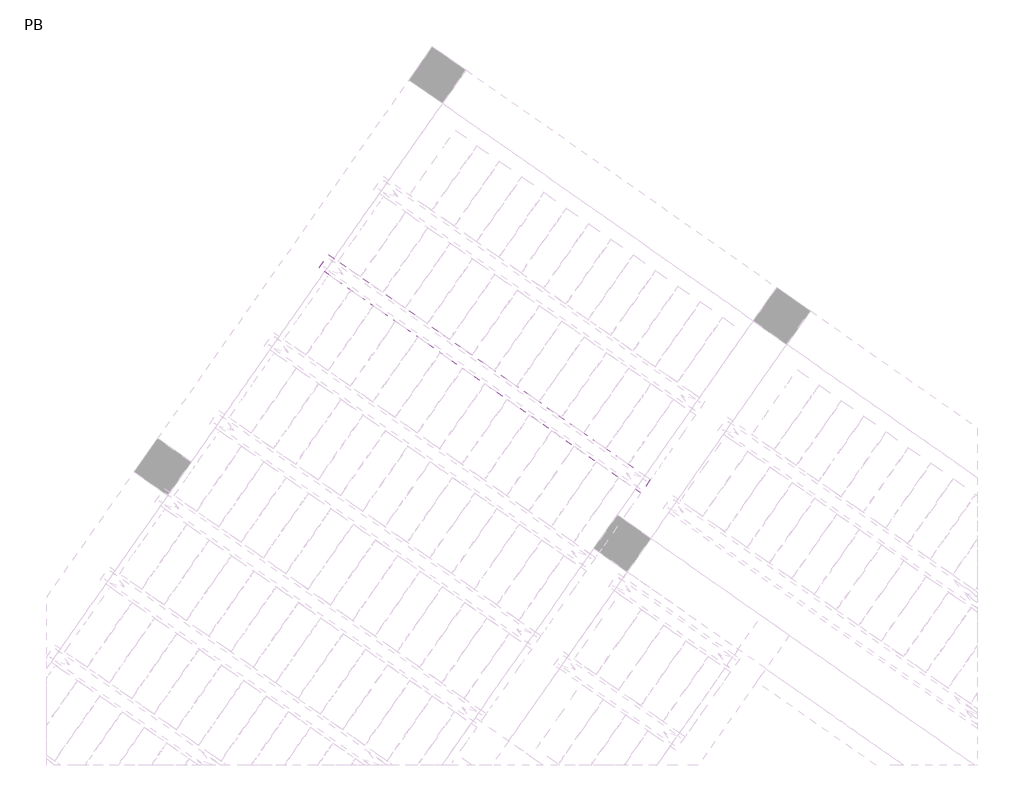
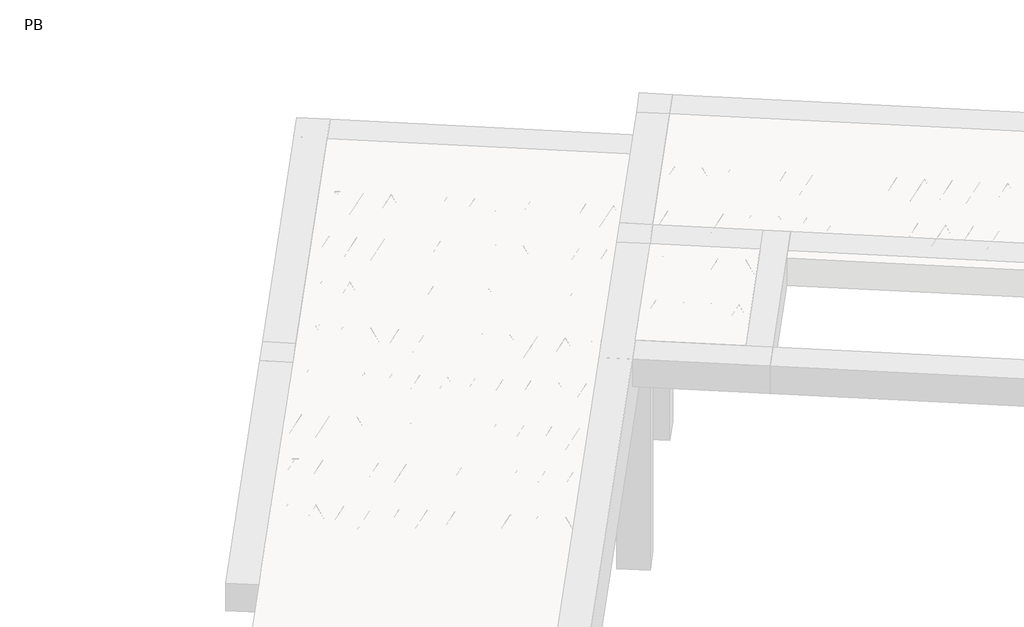
# One storey, part 51 of 56: 2 beams.
"""IFC4 building model written with IfcOpenShell, lengths in millimetres."""

from ifc_helpers import new_model, si_unit, point, frame, origin, origin_2d, place, context, project, spatial, polyline, circle_curve, trimmed, segment, composite_curve, outline, extrude, element, save

model = new_model("IFC4")

# Units and contexts
model_context = context("Model", 3, world=origin())
ifc_project = project(units=[si_unit("LENGTHUNIT", "METRE", prefix="MILLI")], contexts=[model_context])

# Site, building, storey
site = spatial("IfcSite", under=ifc_project)
building = spatial("IfcBuilding", under=site)
storey = spatial("IfcBuildingStorey", under=building, Name="PB", Elevation=95940.0)

# Beams
placement = place(None, origin())
element("IfcBeam", 1, at=placement, inside=storey, context=model_context, shape_type="SweptSolid", body=[
    extrude(outline(polyline([(3603.7111648, 9550.459465), (3672.5403371, 9648.7577103), (6035.266632, 7994.3589478), (5966.4374596, 7896.0607025), (3603.7111648, 9550.459465)])), frame((0.0, 0.0, 98760.0), z_axis=(0.0, 0.0, 1.0), x_axis=(1.0, 0.0, 0.0)), (0.0, 0.0, 1.0), 50.0),
    extrude(outline(composite_curve([segment(trimmed(circle_curve(origin_2d(), 2.5), [point((-2.5, 0.0))], [point((2.5, 0.0))], False, "CARTESIAN"), True, "CONTINUOUS"), segment(trimmed(circle_curve(origin_2d(), 2.5), [point((2.5, 0.0))], [point((-2.5, 0.0))], False, "CARTESIAN"), True, "CONTINUOUS")], self_intersect=False)), frame((5960.543645, 7929.4861861, 98785.0), z_axis=(-0.8191520442696126, 0.5735764363787226, 0.0), x_axis=(0.5735764363787226, 0.8191520442696126, 0.0)), (0.0, 0.0, 1.0), 2836.356221),
    extrude(outline(composite_curve([segment(trimmed(circle_curve(origin_2d(), 2.5), [point((-2.5, 0.0))], [point((2.5, 0.0))], False, "CARTESIAN"), True, "CONTINUOUS"), segment(trimmed(circle_curve(origin_2d(), 2.5), [point((2.5, 0.0))], [point((-2.5, 0.0))], False, "CARTESIAN"), True, "CONTINUOUS")], self_intersect=False)), frame((5884.386556, 8026.7598391, 99010.0), z_axis=(-0.8191520442696126, 0.5735764363787226, 0.0), x_axis=(0.5735764363787226, 0.8191520442696126, 0.0)), (0.0, 0.0, 1.0), 2600.0),
    extrude(outline(composite_curve([segment(trimmed(circle_curve(origin_2d(), 2.5), [point((-2.5, 0.0))], [point((2.5, 1e-07))], False, "CARTESIAN"), True, "CONTINUOUS"), segment(trimmed(circle_curve(origin_2d(), 2.5), [point((2.5, 1e-07))], [point((-2.5, 0.0))], False, "CARTESIAN"), True, "CONTINUOUS")], self_intersect=False)), frame((5925.1742076, 7954.2521327, 98785.0), z_axis=(-0.3145304735701046, 0.38933448886848654, 0.8657304643902053), x_axis=(0.7778747638402499, 0.6284193279813057, 0.0)), (0.0, 0.0, 1.0), 259.8961331),
    extrude(outline(composite_curve([segment(trimmed(circle_curve(origin_2d(), 2.5), [point((2.5000001, 0.0))], [point((-2.5, 0.0))], False, "CARTESIAN"), True, "CONTINUOUS"), segment(trimmed(circle_curve(origin_2d(), 2.5), [point((-2.5, 0.0))], [point((2.5000001, 0.0))], False, "CARTESIAN"), True, "CONTINUOUS")], self_intersect=False)), frame((5720.3861965, 8097.6462419, 98785.0), z_axis=(0.47343050384693375, -0.16240172737369005, 0.8657304643902051), x_axis=(-0.3244721671091268, -0.9458952440791246, 0.0)), (0.0, 0.0, 1.0), 259.8961331),
    extrude(outline(composite_curve([segment(trimmed(circle_curve(origin_2d(), 2.5), [point((-2.5, -1e-07))], [point((2.5, 0.0))], False, "CARTESIAN"), True, "CONTINUOUS"), segment(trimmed(circle_curve(origin_2d(), 2.5), [point((2.5, 0.0))], [point((-2.5, -1e-07))], False, "CARTESIAN"), True, "CONTINUOUS")], self_intersect=False)), frame((5720.3861965, 8097.6462419, 98785.0), z_axis=(-0.3145304735701046, 0.38933448886848654, 0.8657304643902053), x_axis=(0.7778747638402499, 0.6284193279813057, 0.0)), (0.0, 0.0, 1.0), 259.8961331),
    extrude(outline(composite_curve([segment(trimmed(circle_curve(origin_2d(), 2.5), [point((2.5000001, 0.0))], [point((-2.5, 0.0))], False, "CARTESIAN"), True, "CONTINUOUS"), segment(trimmed(circle_curve(origin_2d(), 2.5), [point((-2.5, 0.0))], [point((2.5000001, 0.0))], False, "CARTESIAN"), True, "CONTINUOUS")], self_intersect=False)), frame((5515.5981855, 8241.040351, 98785.0), z_axis=(0.47343050384693375, -0.16240172737369005, 0.8657304643902051), x_axis=(-0.3244721671091268, -0.9458952440791246, 0.0)), (0.0, 0.0, 1.0), 259.8961331),
    extrude(outline(composite_curve([segment(trimmed(circle_curve(origin_2d(), 2.5), [point((-2.5000001, 0.0))], [point((2.5, 0.0))], False, "CARTESIAN"), True, "CONTINUOUS"), segment(trimmed(circle_curve(origin_2d(), 2.5), [point((2.5, 0.0))], [point((-2.5000001, 0.0))], False, "CARTESIAN"), True, "CONTINUOUS")], self_intersect=False)), frame((5515.5981855, 8241.040351, 98785.0), z_axis=(-0.3145304735701046, 0.38933448886848654, 0.8657304643902053), x_axis=(0.7778747638402499, 0.6284193279813057, 0.0)), (0.0, 0.0, 1.0), 259.8961331),
    extrude(outline(composite_curve([segment(trimmed(circle_curve(origin_2d(), 2.5), [point((2.5, 0.0))], [point((-2.5000001, 0.0))], False, "CARTESIAN"), True, "CONTINUOUS"), segment(trimmed(circle_curve(origin_2d(), 2.5), [point((-2.5000001, 0.0))], [point((2.5, 0.0))], False, "CARTESIAN"), True, "CONTINUOUS")], self_intersect=False)), frame((5310.8101744, 8384.43446, 98785.0), z_axis=(0.47343050384693375, -0.16240172737369005, 0.8657304643902051), x_axis=(-0.3244721671091268, -0.9458952440791246, 0.0)), (0.0, 0.0, 1.0), 259.8961331),
    extrude(outline(composite_curve([segment(trimmed(circle_curve(origin_2d(), 2.5), [point((-2.5, 0.0))], [point((2.5, 1e-07))], False, "CARTESIAN"), True, "CONTINUOUS"), segment(trimmed(circle_curve(origin_2d(), 2.5), [point((2.5, 1e-07))], [point((-2.5, 0.0))], False, "CARTESIAN"), True, "CONTINUOUS")], self_intersect=False)), frame((5310.8101744, 8384.43446, 98785.0), z_axis=(-0.3145304735701046, 0.38933448886848654, 0.8657304643902053), x_axis=(0.7778747638402499, 0.6284193279813057, 0.0)), (0.0, 0.0, 1.0), 259.8961331),
    extrude(outline(composite_curve([segment(trimmed(circle_curve(origin_2d(), 2.5), [point((2.5, 0.0))], [point((-2.5000001, 0.0))], False, "CARTESIAN"), True, "CONTINUOUS"), segment(trimmed(circle_curve(origin_2d(), 2.5), [point((-2.5000001, 0.0))], [point((2.5, 0.0))], False, "CARTESIAN"), True, "CONTINUOUS")], self_intersect=False)), frame((5106.0221633, 8527.8285691, 98785.0), z_axis=(0.47343050384693375, -0.16240172737369005, 0.8657304643902051), x_axis=(-0.3244721671091268, -0.9458952440791246, 0.0)), (0.0, 0.0, 1.0), 259.8961331),
    extrude(outline(composite_curve([segment(trimmed(circle_curve(origin_2d(), 2.5), [point((-2.5000001, 1e-07))], [point((2.5, 0.0))], False, "CARTESIAN"), True, "CONTINUOUS"), segment(trimmed(circle_curve(origin_2d(), 2.5), [point((2.5, 0.0))], [point((-2.5000001, 1e-07))], False, "CARTESIAN"), True, "CONTINUOUS")], self_intersect=False)), frame((5106.0221637, 8527.8285689, 98785.0), z_axis=(-0.3145304735701046, 0.38933448886848654, 0.8657304643902053), x_axis=(0.7778747638402499, 0.6284193279813057, 0.0)), (0.0, 0.0, 1.0), 259.8961331),
    extrude(outline(composite_curve([segment(trimmed(circle_curve(origin_2d(), 2.5), [point((2.5, 0.0))], [point((-2.5, 0.0))], False, "CARTESIAN"), True, "CONTINUOUS"), segment(trimmed(circle_curve(origin_2d(), 2.5), [point((-2.5, 0.0))], [point((2.5, 0.0))], False, "CARTESIAN"), True, "CONTINUOUS")], self_intersect=False)), frame((4901.2341526, 8671.222678, 98785.0), z_axis=(0.47343050384693375, -0.16240172737369005, 0.8657304643902051), x_axis=(-0.3244721671091268, -0.9458952440791246, 0.0)), (0.0, 0.0, 1.0), 259.8961331),
    extrude(outline(composite_curve([segment(trimmed(circle_curve(origin_2d(), 2.5), [point((-2.5, 0.0))], [point((2.5, 0.0))], False, "CARTESIAN"), True, "CONTINUOUS"), segment(trimmed(circle_curve(origin_2d(), 2.5), [point((2.5, 0.0))], [point((-2.5, 0.0))], False, "CARTESIAN"), True, "CONTINUOUS")], self_intersect=False)), frame((4901.2341526, 8671.222678, 98785.0), z_axis=(-0.3145304735701046, 0.38933448886848654, 0.8657304643902053), x_axis=(0.7778747638402499, 0.6284193279813057, 0.0)), (0.0, 0.0, 1.0), 259.8961331),
    extrude(outline(composite_curve([segment(trimmed(circle_curve(origin_2d(), 2.5), [point((2.5, 0.0))], [point((-2.5, 0.0))], False, "CARTESIAN"), True, "CONTINUOUS"), segment(trimmed(circle_curve(origin_2d(), 2.5), [point((-2.5, 0.0))], [point((2.5, 0.0))], False, "CARTESIAN"), True, "CONTINUOUS")], self_intersect=False)), frame((4696.4461415, 8814.6167871, 98785.0), z_axis=(0.47343050384693375, -0.16240172737369005, 0.8657304643902051), x_axis=(-0.3244721671091268, -0.9458952440791246, 0.0)), (0.0, 0.0, 1.0), 259.8961331),
    extrude(outline(composite_curve([segment(trimmed(circle_curve(origin_2d(), 2.5), [point((-2.5, 0.0))], [point((2.5, 0.0))], False, "CARTESIAN"), True, "CONTINUOUS"), segment(trimmed(circle_curve(origin_2d(), 2.5), [point((2.5, 0.0))], [point((-2.5, 0.0))], False, "CARTESIAN"), True, "CONTINUOUS")], self_intersect=False)), frame((4696.4461415, 8814.6167871, 98785.0), z_axis=(-0.3145304735701046, 0.38933448886848654, 0.8657304643902053), x_axis=(0.7778747638402499, 0.6284193279813057, 0.0)), (0.0, 0.0, 1.0), 259.8961331),
    extrude(outline(composite_curve([segment(trimmed(circle_curve(origin_2d(), 2.5), [point((2.5, -1e-07))], [point((-2.5, 0.0))], False, "CARTESIAN"), True, "CONTINUOUS"), segment(trimmed(circle_curve(origin_2d(), 2.5), [point((-2.5, 0.0))], [point((2.5, -1e-07))], False, "CARTESIAN"), True, "CONTINUOUS")], self_intersect=False)), frame((4491.6581305, 8958.0108962, 98785.0), z_axis=(0.47343050384693375, -0.16240172737369005, 0.8657304643902051), x_axis=(-0.3244721671091268, -0.9458952440791246, 0.0)), (0.0, 0.0, 1.0), 259.8961331),
    extrude(outline(composite_curve([segment(trimmed(circle_curve(origin_2d(), 2.5), [point((-2.5, 0.0))], [point((2.5000001, -1e-07))], False, "CARTESIAN"), True, "CONTINUOUS"), segment(trimmed(circle_curve(origin_2d(), 2.5), [point((2.5000001, -1e-07))], [point((-2.5, 0.0))], False, "CARTESIAN"), True, "CONTINUOUS")], self_intersect=False)), frame((4491.6581304, 8958.0108962, 98785.0), z_axis=(-0.3145304735701046, 0.38933448886848654, 0.8657304643902053), x_axis=(0.7778747638402499, 0.6284193279813057, 0.0)), (0.0, 0.0, 1.0), 259.8961331),
    extrude(outline(composite_curve([segment(trimmed(circle_curve(origin_2d(), 2.5), [point((2.5, 0.0))], [point((-2.5, 0.0))], False, "CARTESIAN"), True, "CONTINUOUS"), segment(trimmed(circle_curve(origin_2d(), 2.5), [point((-2.5, 0.0))], [point((2.5, 0.0))], False, "CARTESIAN"), True, "CONTINUOUS")], self_intersect=False)), frame((4286.8701194, 9101.4050053, 98785.0), z_axis=(0.47343050384693375, -0.16240172737369005, 0.8657304643902051), x_axis=(-0.3244721671091268, -0.9458952440791246, 0.0)), (0.0, 0.0, 1.0), 259.8961331),
    extrude(outline(composite_curve([segment(trimmed(circle_curve(origin_2d(), 2.5), [point((-2.5, 0.0))], [point((2.5, 0.0))], False, "CARTESIAN"), True, "CONTINUOUS"), segment(trimmed(circle_curve(origin_2d(), 2.5), [point((2.5, 0.0))], [point((-2.5, 0.0))], False, "CARTESIAN"), True, "CONTINUOUS")], self_intersect=False)), frame((4286.8701194, 9101.4050053, 98785.0), z_axis=(-0.3145304735701046, 0.38933448886848654, 0.8657304643902053), x_axis=(0.7778747638402499, 0.6284193279813057, 0.0)), (0.0, 0.0, 1.0), 259.8961331),
    extrude(outline(composite_curve([segment(trimmed(circle_curve(origin_2d(), 2.5), [point((2.5, 0.0))], [point((-2.5, 0.0))], False, "CARTESIAN"), True, "CONTINUOUS"), segment(trimmed(circle_curve(origin_2d(), 2.5), [point((-2.5, 0.0))], [point((2.5, 0.0))], False, "CARTESIAN"), True, "CONTINUOUS")], self_intersect=False)), frame((4082.0821083, 9244.7991144, 98785.0), z_axis=(0.47343050384693375, -0.16240172737369005, 0.8657304643902051), x_axis=(-0.3244721671091268, -0.9458952440791246, 0.0)), (0.0, 0.0, 1.0), 259.8961331),
    extrude(outline(composite_curve([segment(trimmed(circle_curve(origin_2d(), 2.5), [point((-2.5, 0.0))], [point((2.5, 0.0))], False, "CARTESIAN"), True, "CONTINUOUS"), segment(trimmed(circle_curve(origin_2d(), 2.5), [point((2.5, 0.0))], [point((-2.5, 0.0))], False, "CARTESIAN"), True, "CONTINUOUS")], self_intersect=False)), frame((4082.0821083, 9244.7991144, 98785.0), z_axis=(-0.3145304735701046, 0.38933448886848654, 0.8657304643902053), x_axis=(0.7778747638402499, 0.6284193279813057, 0.0)), (0.0, 0.0, 1.0), 259.8961331),
    extrude(outline(composite_curve([segment(trimmed(circle_curve(origin_2d(), 2.5), [point((2.5, 0.0))], [point((-2.5, 1e-07))], False, "CARTESIAN"), True, "CONTINUOUS"), segment(trimmed(circle_curve(origin_2d(), 2.5), [point((-2.5, 1e-07))], [point((2.5, 0.0))], False, "CARTESIAN"), True, "CONTINUOUS")], self_intersect=False)), frame((3877.2940972, 9388.1932235, 98785.0), z_axis=(0.47343050384693375, -0.16240172737369005, 0.8657304643902051), x_axis=(-0.3244721671091268, -0.9458952440791246, 0.0)), (0.0, 0.0, 1.0), 259.8961331),
    extrude(outline(composite_curve([segment(trimmed(circle_curve(origin_2d(), 2.5), [point((-2.5, 0.0))], [point((2.5000001, -1e-07))], False, "CARTESIAN"), True, "CONTINUOUS"), segment(trimmed(circle_curve(origin_2d(), 2.5), [point((2.5000001, -1e-07))], [point((-2.5, 0.0))], False, "CARTESIAN"), True, "CONTINUOUS")], self_intersect=False)), frame((3877.2940972, 9388.1932235, 98785.0), z_axis=(-0.3145304735701046, 0.38933448886848654, 0.8657304643902053), x_axis=(0.7778747638402499, 0.6284193279813057, 0.0)), (0.0, 0.0, 1.0), 259.8961331),
    extrude(outline(composite_curve([segment(trimmed(circle_curve(origin_2d(), 2.5), [point((2.5, 0.0))], [point((-2.5, 0.0))], False, "CARTESIAN"), True, "CONTINUOUS"), segment(trimmed(circle_curve(origin_2d(), 2.5), [point((-2.5, 0.0))], [point((2.5, 0.0))], False, "CARTESIAN"), True, "CONTINUOUS")], self_intersect=False)), frame((3672.5060862, 9531.5873326, 98785.0), z_axis=(0.47343050384693375, -0.16240172737369005, 0.8657304643902051), x_axis=(-0.3244721671091268, -0.9458952440791246, 0.0)), (0.0, 0.0, 1.0), 259.8961331),
    extrude(outline(composite_curve([segment(trimmed(circle_curve(origin_2d(), 2.5), [point((-2.5000001, 0.0))], [point((2.5, 0.0))], False, "CARTESIAN"), True, "CONTINUOUS"), segment(trimmed(circle_curve(origin_2d(), 2.5), [point((2.5, 0.0))], [point((-2.5000001, 0.0))], False, "CARTESIAN"), True, "CONTINUOUS")], self_intersect=False)), frame((6001.8411484, 7988.4651333, 98785.0), z_axis=(-0.8191520442696126, 0.5735764363787226, 0.0), x_axis=(0.5735764363787226, 0.8191520442696126, 0.0)), (0.0, 0.0, 1.0), 2836.356221),
    extrude(outline(composite_curve([segment(trimmed(circle_curve(origin_2d(), 2.5), [point((-2.5, 0.0))], [point((2.5, -1e-07))], False, "CARTESIAN"), True, "CONTINUOUS"), segment(trimmed(circle_curve(origin_2d(), 2.5), [point((2.5, -1e-07))], [point((-2.5, 0.0))], False, "CARTESIAN"), True, "CONTINUOUS")], self_intersect=False)), frame((5966.471711, 8013.2310799, 98785.0), z_axis=(-0.47343050384693375, 0.16240172737369005, 0.8657304643902051), x_axis=(0.3244721671091268, 0.9458952440791246, 0.0)), (0.0, 0.0, 1.0), 259.8961331),
    extrude(outline(composite_curve([segment(trimmed(circle_curve(origin_2d(), 2.5), [point((2.5, 0.0))], [point((-2.5000001, 0.0))], False, "CARTESIAN"), True, "CONTINUOUS"), segment(trimmed(circle_curve(origin_2d(), 2.5), [point((-2.5000001, 0.0))], [point((2.5, 0.0))], False, "CARTESIAN"), True, "CONTINUOUS")], self_intersect=False)), frame((5761.6836999, 8156.625189, 98785.0), z_axis=(0.3145304735701046, -0.38933448886848654, 0.8657304643902053), x_axis=(-0.7778747638402499, -0.6284193279813057, 0.0)), (0.0, 0.0, 1.0), 259.8961331),
    extrude(outline(composite_curve([segment(trimmed(circle_curve(origin_2d(), 2.5), [point((-2.5, 0.0))], [point((2.5000001, 0.0))], False, "CARTESIAN"), True, "CONTINUOUS"), segment(trimmed(circle_curve(origin_2d(), 2.5), [point((2.5000001, 0.0))], [point((-2.5, 0.0))], False, "CARTESIAN"), True, "CONTINUOUS")], self_intersect=False)), frame((5761.6836999, 8156.625189, 98785.0), z_axis=(-0.47343050384693375, 0.16240172737369005, 0.8657304643902051), x_axis=(0.3244721671091268, 0.9458952440791246, 0.0)), (0.0, 0.0, 1.0), 259.8961331),
    extrude(outline(composite_curve([segment(trimmed(circle_curve(origin_2d(), 2.5), [point((2.5, 0.0))], [point((-2.5, -1e-07))], False, "CARTESIAN"), True, "CONTINUOUS"), segment(trimmed(circle_curve(origin_2d(), 2.5), [point((-2.5, -1e-07))], [point((2.5, 0.0))], False, "CARTESIAN"), True, "CONTINUOUS")], self_intersect=False)), frame((5556.8956889, 8300.0192981, 98785.0), z_axis=(0.3145304735701046, -0.38933448886848654, 0.8657304643902053), x_axis=(-0.7778747638402499, -0.6284193279813057, 0.0)), (0.0, 0.0, 1.0), 259.8961331),
    extrude(outline(composite_curve([segment(trimmed(circle_curve(origin_2d(), 2.5), [point((-2.5, 0.0))], [point((2.5, 0.0))], False, "CARTESIAN"), True, "CONTINUOUS"), segment(trimmed(circle_curve(origin_2d(), 2.5), [point((2.5, 0.0))], [point((-2.5, 0.0))], False, "CARTESIAN"), True, "CONTINUOUS")], self_intersect=False)), frame((5556.8956889, 8300.0192981, 98785.0), z_axis=(-0.47343050384693375, 0.16240172737369005, 0.8657304643902051), x_axis=(0.3244721671091268, 0.9458952440791246, 0.0)), (0.0, 0.0, 1.0), 259.8961331),
    extrude(outline(composite_curve([segment(trimmed(circle_curve(origin_2d(), 2.5), [point((2.5, 0.0))], [point((-2.5, -1e-07))], False, "CARTESIAN"), True, "CONTINUOUS"), segment(trimmed(circle_curve(origin_2d(), 2.5), [point((-2.5, -1e-07))], [point((2.5, 0.0))], False, "CARTESIAN"), True, "CONTINUOUS")], self_intersect=False)), frame((5352.1076778, 8443.4134072, 98785.0), z_axis=(0.3145304735701046, -0.38933448886848654, 0.8657304643902053), x_axis=(-0.7778747638402499, -0.6284193279813057, 0.0)), (0.0, 0.0, 1.0), 259.8961331),
    extrude(outline(composite_curve([segment(trimmed(circle_curve(origin_2d(), 2.5), [point((-2.5, 0.0))], [point((2.5, 0.0))], False, "CARTESIAN"), True, "CONTINUOUS"), segment(trimmed(circle_curve(origin_2d(), 2.5), [point((2.5, 0.0))], [point((-2.5, 0.0))], False, "CARTESIAN"), True, "CONTINUOUS")], self_intersect=False)), frame((5352.1076778, 8443.4134072, 98785.0), z_axis=(-0.47343050384693375, 0.16240172737369005, 0.8657304643902051), x_axis=(0.3244721671091268, 0.9458952440791246, 0.0)), (0.0, 0.0, 1.0), 259.8961331),
    extrude(outline(composite_curve([segment(trimmed(circle_curve(origin_2d(), 2.5), [point((2.5, 0.0))], [point((-2.5000001, 1e-07))], False, "CARTESIAN"), True, "CONTINUOUS"), segment(trimmed(circle_curve(origin_2d(), 2.5), [point((-2.5000001, 1e-07))], [point((2.5, 0.0))], False, "CARTESIAN"), True, "CONTINUOUS")], self_intersect=False)), frame((5147.3196667, 8586.8075163, 98785.0), z_axis=(0.3145304735701046, -0.38933448886848654, 0.8657304643902053), x_axis=(-0.7778747638402499, -0.6284193279813057, 0.0)), (0.0, 0.0, 1.0), 259.8961331),
    extrude(outline(composite_curve([segment(trimmed(circle_curve(origin_2d(), 2.5), [point((-2.5, 0.0))], [point((2.5, 0.0))], False, "CARTESIAN"), True, "CONTINUOUS"), segment(trimmed(circle_curve(origin_2d(), 2.5), [point((2.5, 0.0))], [point((-2.5, 0.0))], False, "CARTESIAN"), True, "CONTINUOUS")], self_intersect=False)), frame((5147.3196671, 8586.8075161, 98785.0), z_axis=(-0.47343050384693375, 0.16240172737369005, 0.8657304643902051), x_axis=(0.3244721671091268, 0.9458952440791246, 0.0)), (0.0, 0.0, 1.0), 259.8961331),
    extrude(outline(composite_curve([segment(trimmed(circle_curve(origin_2d(), 2.5), [point((2.5, 0.0))], [point((-2.5, 0.0))], False, "CARTESIAN"), True, "CONTINUOUS"), segment(trimmed(circle_curve(origin_2d(), 2.5), [point((-2.5, 0.0))], [point((2.5, 0.0))], False, "CARTESIAN"), True, "CONTINUOUS")], self_intersect=False)), frame((4942.531656, 8730.2016252, 98785.0), z_axis=(0.3145304735701046, -0.38933448886848654, 0.8657304643902053), x_axis=(-0.7778747638402499, -0.6284193279813057, 0.0)), (0.0, 0.0, 1.0), 259.8961331),
    extrude(outline(composite_curve([segment(trimmed(circle_curve(origin_2d(), 2.5), [point((-2.5, 0.0))], [point((2.5, 0.0))], False, "CARTESIAN"), True, "CONTINUOUS"), segment(trimmed(circle_curve(origin_2d(), 2.5), [point((2.5, 0.0))], [point((-2.5, 0.0))], False, "CARTESIAN"), True, "CONTINUOUS")], self_intersect=False)), frame((4942.531656, 8730.2016252, 98785.0), z_axis=(-0.47343050384693375, 0.16240172737369005, 0.8657304643902051), x_axis=(0.3244721671091268, 0.9458952440791246, 0.0)), (0.0, 0.0, 1.0), 259.8961331),
    extrude(outline(composite_curve([segment(trimmed(circle_curve(origin_2d(), 2.5), [point((2.5, 0.0))], [point((-2.5, 0.0))], False, "CARTESIAN"), True, "CONTINUOUS"), segment(trimmed(circle_curve(origin_2d(), 2.5), [point((-2.5, 0.0))], [point((2.5, 0.0))], False, "CARTESIAN"), True, "CONTINUOUS")], self_intersect=False)), frame((4737.7436449, 8873.5957343, 98785.0), z_axis=(0.3145304735701046, -0.38933448886848654, 0.8657304643902053), x_axis=(-0.7778747638402499, -0.6284193279813057, 0.0)), (0.0, 0.0, 1.0), 259.8961331),
    extrude(outline(composite_curve([segment(trimmed(circle_curve(origin_2d(), 2.5), [point((-2.5, 0.0))], [point((2.5, -1e-07))], False, "CARTESIAN"), True, "CONTINUOUS"), segment(trimmed(circle_curve(origin_2d(), 2.5), [point((2.5, -1e-07))], [point((-2.5, 0.0))], False, "CARTESIAN"), True, "CONTINUOUS")], self_intersect=False)), frame((4737.7436449, 8873.5957343, 98785.0), z_axis=(-0.47343050384693375, 0.16240172737369005, 0.8657304643902051), x_axis=(0.3244721671091268, 0.9458952440791246, 0.0)), (0.0, 0.0, 1.0), 259.8961331),
    extrude(outline(composite_curve([segment(trimmed(circle_curve(origin_2d(), 2.5), [point((2.5, 0.0))], [point((-2.5, 0.0))], False, "CARTESIAN"), True, "CONTINUOUS"), segment(trimmed(circle_curve(origin_2d(), 2.5), [point((-2.5, 0.0))], [point((2.5, 0.0))], False, "CARTESIAN"), True, "CONTINUOUS")], self_intersect=False)), frame((4532.9556339, 9016.9898434, 98785.0), z_axis=(0.3145304735701046, -0.38933448886848654, 0.8657304643902053), x_axis=(-0.7778747638402499, -0.6284193279813057, 0.0)), (0.0, 0.0, 1.0), 259.8961331),
    extrude(outline(composite_curve([segment(trimmed(circle_curve(origin_2d(), 2.5), [point((-2.5, 0.0))], [point((2.5, 0.0))], False, "CARTESIAN"), True, "CONTINUOUS"), segment(trimmed(circle_curve(origin_2d(), 2.5), [point((2.5, 0.0))], [point((-2.5, 0.0))], False, "CARTESIAN"), True, "CONTINUOUS")], self_intersect=False)), frame((4532.9556339, 9016.9898434, 98785.0), z_axis=(-0.47343050384693375, 0.16240172737369005, 0.8657304643902051), x_axis=(0.3244721671091268, 0.9458952440791246, 0.0)), (0.0, 0.0, 1.0), 259.8961331),
    extrude(outline(composite_curve([segment(trimmed(circle_curve(origin_2d(), 2.5), [point((2.5, 0.0))], [point((-2.5, 0.0))], False, "CARTESIAN"), True, "CONTINUOUS"), segment(trimmed(circle_curve(origin_2d(), 2.5), [point((-2.5, 0.0))], [point((2.5, 0.0))], False, "CARTESIAN"), True, "CONTINUOUS")], self_intersect=False)), frame((4328.1676228, 9160.3839525, 98785.0), z_axis=(0.3145304735701046, -0.38933448886848654, 0.8657304643902053), x_axis=(-0.7778747638402499, -0.6284193279813057, 0.0)), (0.0, 0.0, 1.0), 259.8961331),
    extrude(outline(composite_curve([segment(trimmed(circle_curve(origin_2d(), 2.5), [point((-2.5, 0.0))], [point((2.5, 0.0))], False, "CARTESIAN"), True, "CONTINUOUS"), segment(trimmed(circle_curve(origin_2d(), 2.5), [point((2.5, 0.0))], [point((-2.5, 0.0))], False, "CARTESIAN"), True, "CONTINUOUS")], self_intersect=False)), frame((4328.1676228, 9160.3839525, 98785.0), z_axis=(-0.47343050384693375, 0.16240172737369005, 0.8657304643902051), x_axis=(0.3244721671091268, 0.9458952440791246, 0.0)), (0.0, 0.0, 1.0), 259.8961331),
    extrude(outline(composite_curve([segment(trimmed(circle_curve(origin_2d(), 2.5), [point((2.5, 0.0))], [point((-2.5, 0.0))], False, "CARTESIAN"), True, "CONTINUOUS"), segment(trimmed(circle_curve(origin_2d(), 2.5), [point((-2.5, 0.0))], [point((2.5, 0.0))], False, "CARTESIAN"), True, "CONTINUOUS")], self_intersect=False)), frame((4123.3796117, 9303.7780616, 98785.0), z_axis=(0.3145304735701046, -0.38933448886848654, 0.8657304643902053), x_axis=(-0.7778747638402499, -0.6284193279813057, 0.0)), (0.0, 0.0, 1.0), 259.8961331),
    extrude(outline(composite_curve([segment(trimmed(circle_curve(origin_2d(), 2.5), [point((-2.5, 0.0))], [point((2.5, -1e-07))], False, "CARTESIAN"), True, "CONTINUOUS"), segment(trimmed(circle_curve(origin_2d(), 2.5), [point((2.5, -1e-07))], [point((-2.5, 0.0))], False, "CARTESIAN"), True, "CONTINUOUS")], self_intersect=False)), frame((4123.3796117, 9303.7780616, 98785.0), z_axis=(-0.47343050384693375, 0.16240172737369005, 0.8657304643902051), x_axis=(0.3244721671091268, 0.9458952440791246, 0.0)), (0.0, 0.0, 1.0), 259.8961331),
    extrude(outline(composite_curve([segment(trimmed(circle_curve(origin_2d(), 2.5), [point((2.5, 1e-07))], [point((-2.5, 0.0))], False, "CARTESIAN"), True, "CONTINUOUS"), segment(trimmed(circle_curve(origin_2d(), 2.5), [point((-2.5, 0.0))], [point((2.5, 1e-07))], False, "CARTESIAN"), True, "CONTINUOUS")], self_intersect=False)), frame((3918.5916007, 9447.1721707, 98785.0), z_axis=(0.3145304735701046, -0.38933448886848654, 0.8657304643902053), x_axis=(-0.7778747638402499, -0.6284193279813057, 0.0)), (0.0, 0.0, 1.0), 259.8961331),
    extrude(outline(composite_curve([segment(trimmed(circle_curve(origin_2d(), 2.5), [point((-2.5, 1e-07))], [point((2.5, 0.0))], False, "CARTESIAN"), True, "CONTINUOUS"), segment(trimmed(circle_curve(origin_2d(), 2.5), [point((2.5, 0.0))], [point((-2.5, 1e-07))], False, "CARTESIAN"), True, "CONTINUOUS")], self_intersect=False)), frame((3918.5916007, 9447.1721707, 98785.0), z_axis=(-0.47343050384693375, 0.16240172737369005, 0.8657304643902051), x_axis=(0.3244721671091268, 0.9458952440791246, 0.0)), (0.0, 0.0, 1.0), 259.8961331),
    extrude(outline(composite_curve([segment(trimmed(circle_curve(origin_2d(), 2.5), [point((2.5, 1e-07))], [point((-2.5, 0.0))], False, "CARTESIAN"), True, "CONTINUOUS"), segment(trimmed(circle_curve(origin_2d(), 2.5), [point((-2.5, 0.0))], [point((2.5, 1e-07))], False, "CARTESIAN"), True, "CONTINUOUS")], self_intersect=False)), frame((3713.8035896, 9590.5662798, 98785.0), z_axis=(0.3145304735701046, -0.38933448886848654, 0.8657304643902053), x_axis=(-0.7778747638402499, -0.6284193279813057, 0.0)), (0.0, 0.0, 1.0), 259.8961331),
])
element("IfcBeam", 2, at=placement, inside=storey, context=model_context, shape_type="SweptSolid", body=[
    extrude(outline(polyline([(4005.2435527, 10123.8456723), (4074.0727251, 10222.1439176), (6436.7701374, 8567.7653788), (6367.940965, 8469.4671335), (4005.2435527, 10123.8456723)])), frame((0.0, 0.0, 98760.0), z_axis=(0.0, 0.0, 1.0), x_axis=(1.0, 0.0, 0.0)), (0.0, 0.0, 1.0), 50.0),
])

save(model, "model.ifc")
